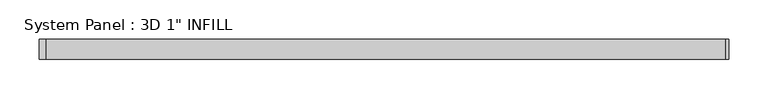
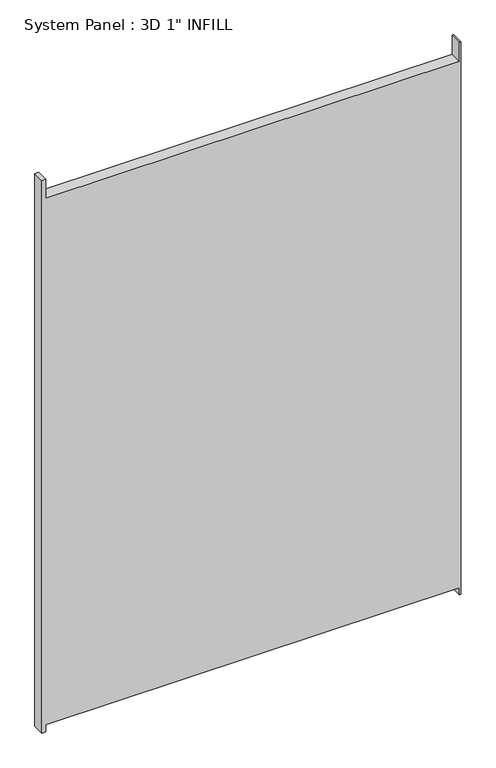
"""IFC4 building model written with IfcOpenShell, lengths in millimetres: plate geometry."""

from ifc_helpers import new_model, si_unit, frame, origin, place, context, project, spatial, polyline, outline, extrude, source, transform, mapped, element, save


def plate_2feea4ee(model_context):
    return source(origin(), model_context, "Body", "SweptSolid", [
        extrude(outline(polyline([(0.0, -437.753125), (0.0, -429.6953834), (15.875542, -429.6953834), (15.875542, 434.3988174), (0.0, 434.3988174), (0.0, 437.753125), (1219.2, 437.753125), (1219.2, 434.3988174), (1177.925, 434.3988174), (1177.925, -429.6953834), (1219.2, -429.6953834), (1219.2, -437.753125), (0.0, -437.753125)])), frame((0.0, -12.7, 0.0), z_axis=(0.0, 1.0, 0.0), x_axis=(0.0, 0.0, 1.0)), (0.0, 0.0, 1.0), 25.4),
    ])


if __name__ == "__main__":
    model = new_model("IFC4")
    model_context = context("Model", 3, world=origin())
    ifc_project = project(units=[si_unit("LENGTHUNIT", "METRE", prefix="MILLI")], contexts=[model_context])
    site = spatial("IfcSite", under=ifc_project)
    building = spatial("IfcBuilding", under=site)
    placement = place(None, origin())
    plate_shape = plate_2feea4ee(model_context)
    element("IfcPlate", 1, ObjectType="System Panel : 3D 1\" INFILL", at=placement, inside=building, context=model_context, shape_type="MappedRepresentation", body=[
        mapped(plate_shape, transform((0.0, 0.0, 0.0), x_axis=(1.0, 0.0, 0.0), y_axis=(0.0, 1.0, 0.0), z_axis=(0.0, 0.0, 1.0))),
    ])
    save(model, "model.ifc")
